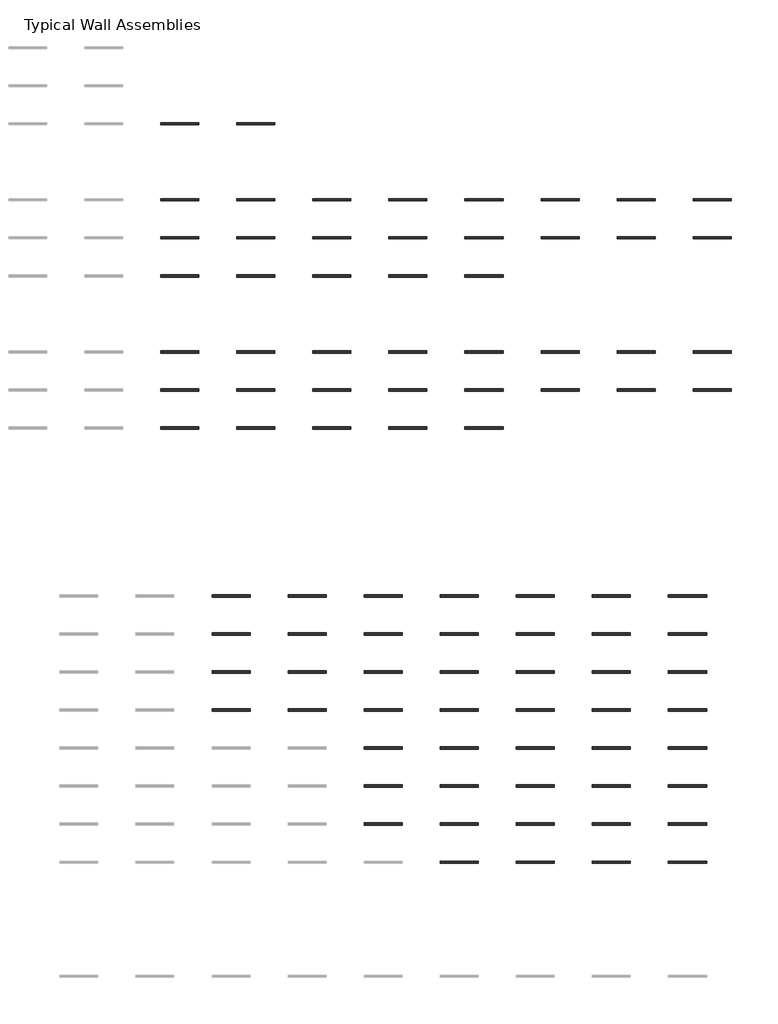
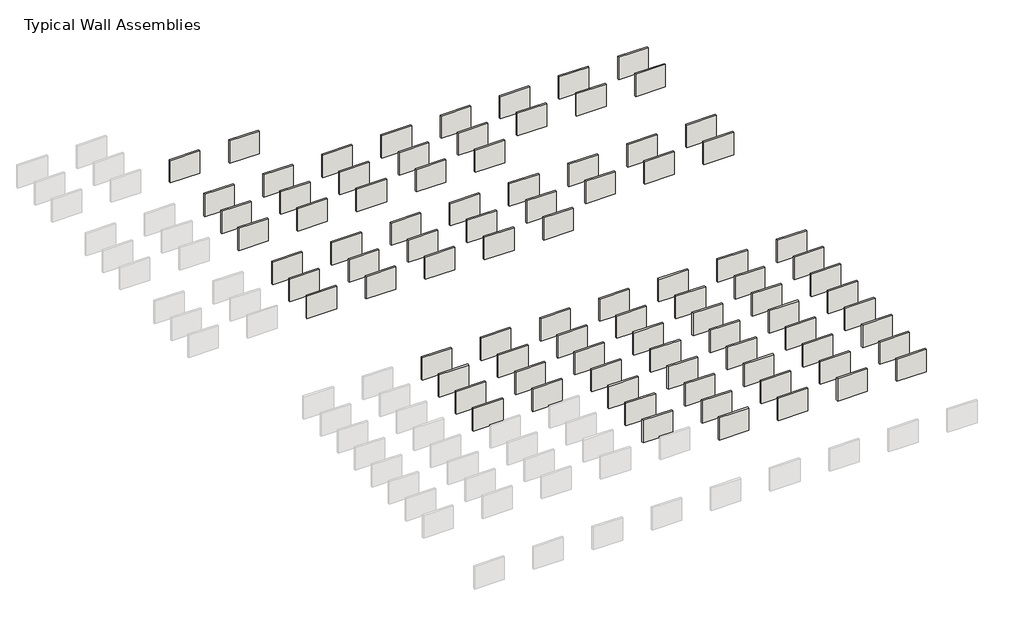
# One storey, part 4 of 8: 91 walls.
"""IFC4 building model written with IfcOpenShell, lengths in millimetres."""

from ifc_helpers import new_model, si_unit, frame, origin, place, context, project, spatial, polyline, outline, extrude, element, save

model = new_model("IFC4")

# Units and contexts
model_context = context("Model", 3, world=origin())
ifc_project = project(units=[si_unit("LENGTHUNIT", "METRE", prefix="MILLI")], contexts=[model_context])

# Site, building, storey
site = spatial("IfcSite", under=ifc_project)
building = spatial("IfcBuilding", under=site)
storey = spatial("IfcBuildingStorey", under=building, Name="Typical Wall Assemblies", Elevation=6096.0)

# Walls
placement = place(None, origin())
element("IfcWall", 1, at=placement, inside=storey, context=model_context, shape_type="SweptSolid", body=[
    extrude(outline(polyline([(3356.874931, -158375.2279032), (308.874931, -158375.2279032), (308.874931, -158197.4405991), (3356.874931, -158197.4405991), (3356.874931, -158375.2279032)])), frame((0.0, 0.0, 6096.0), z_axis=(0.0, 0.0, 1.0), x_axis=(1.0, 0.0, 0.0)), (0.0, 0.0, 1.0), 2438.4),
])
element("IfcWall", 2, at=placement, inside=storey, context=model_context, shape_type="SweptSolid", body=[
    extrude(outline(polyline([(9452.874931, -158375.2279032), (6404.874931, -158375.2279032), (6404.874931, -158197.4405991), (9452.874931, -158197.4405991), (9452.874931, -158375.2279032)])), frame((0.0, 0.0, 6096.0), z_axis=(0.0, 0.0, 1.0), x_axis=(1.0, 0.0, 0.0)), (0.0, 0.0, 1.0), 2438.4),
])
element("IfcWall", 3, at=placement, inside=storey, context=model_context, shape_type="SweptSolid", body=[
    extrude(outline(polyline([(3356.874931, -164471.2279032), (308.874931, -164471.2279032), (308.874931, -164293.4405991), (3356.874931, -164293.4405991), (3356.874931, -164471.2279032)])), frame((0.0, 0.0, 6096.0), z_axis=(0.0, 0.0, 1.0), x_axis=(1.0, 0.0, 0.0)), (0.0, 0.0, 1.0), 2438.4),
])
element("IfcWall", 4, at=placement, inside=storey, context=model_context, shape_type="SweptSolid", body=[
    extrude(outline(polyline([(9452.874931, -164471.2279032), (6404.874931, -164471.2279032), (6404.874931, -164293.4405991), (9452.874931, -164293.4405991), (9452.874931, -164471.2279032)])), frame((0.0, 0.0, 6096.0), z_axis=(0.0, 0.0, 1.0), x_axis=(1.0, 0.0, 0.0)), (0.0, 0.0, 1.0), 2438.4),
])
element("IfcWall", 5, at=placement, inside=storey, context=model_context, shape_type="SweptSolid", body=[
    extrude(outline(polyline([(15548.874931, -164471.2279032), (12500.874931, -164471.2279032), (12500.874931, -164293.4405991), (15548.874931, -164293.4405991), (15548.874931, -164471.2279032)])), frame((0.0, 0.0, 6096.0), z_axis=(0.0, 0.0, 1.0), x_axis=(1.0, 0.0, 0.0)), (0.0, 0.0, 1.0), 2438.4),
])
element("IfcWall", 6, at=placement, inside=storey, context=model_context, shape_type="SweptSolid", body=[
    extrude(outline(polyline([(21644.874931, -164471.2279032), (18596.874931, -164471.2279032), (18596.874931, -164293.4405991), (21644.874931, -164293.4405991), (21644.874931, -164471.2279032)])), frame((0.0, 0.0, 6096.0), z_axis=(0.0, 0.0, 1.0), x_axis=(1.0, 0.0, 0.0)), (0.0, 0.0, 1.0), 2438.4),
])
element("IfcWall", 7, at=placement, inside=storey, context=model_context, shape_type="SweptSolid", body=[
    extrude(outline(polyline([(27740.874931, -164471.2279032), (24692.874931, -164471.2279032), (24692.874931, -164293.4405991), (27740.874931, -164293.4405991), (27740.874931, -164471.2279032)])), frame((0.0, 0.0, 6096.0), z_axis=(0.0, 0.0, 1.0), x_axis=(1.0, 0.0, 0.0)), (0.0, 0.0, 1.0), 2438.4),
])
element("IfcWall", 8, at=placement, inside=storey, context=model_context, shape_type="SweptSolid", body=[
    extrude(outline(polyline([(33836.874931, -164471.2279032), (30788.874931, -164471.2279032), (30788.874931, -164293.4405991), (33836.874931, -164293.4405991), (33836.874931, -164471.2279032)])), frame((0.0, 0.0, 6096.0), z_axis=(0.0, 0.0, 1.0), x_axis=(1.0, 0.0, 0.0)), (0.0, 0.0, 1.0), 2438.4),
])
element("IfcWall", 9, at=placement, inside=storey, context=model_context, shape_type="SweptSolid", body=[
    extrude(outline(polyline([(39932.874931, -164471.2279032), (36884.874931, -164471.2279032), (36884.874931, -164293.4405991), (39932.874931, -164293.4405991), (39932.874931, -164471.2279032)])), frame((0.0, 0.0, 6096.0), z_axis=(0.0, 0.0, 1.0), x_axis=(1.0, 0.0, 0.0)), (0.0, 0.0, 1.0), 2438.4),
])
element("IfcWall", 10, at=placement, inside=storey, context=model_context, shape_type="SweptSolid", body=[
    extrude(outline(polyline([(46028.874931, -164471.2279032), (42980.874931, -164471.2279032), (42980.874931, -164293.4405991), (46028.874931, -164293.4405991), (46028.874931, -164471.2279032)])), frame((0.0, 0.0, 6096.0), z_axis=(0.0, 0.0, 1.0), x_axis=(1.0, 0.0, 0.0)), (0.0, 0.0, 1.0), 2438.4),
])
element("IfcWall", 11, at=placement, inside=storey, context=model_context, shape_type="SweptSolid", body=[
    extrude(outline(polyline([(3356.874931, -167519.2279032), (308.874931, -167519.2279032), (308.874931, -167341.4405991), (3356.874931, -167341.4405991), (3356.874931, -167519.2279032)])), frame((0.0, 0.0, 6096.0), z_axis=(0.0, 0.0, 1.0), x_axis=(1.0, 0.0, 0.0)), (0.0, 0.0, 1.0), 2438.4),
])
element("IfcWall", 12, at=placement, inside=storey, context=model_context, shape_type="SweptSolid", body=[
    extrude(outline(polyline([(9452.874931, -167519.2279032), (6404.874931, -167519.2279032), (6404.874931, -167341.4405991), (9452.874931, -167341.4405991), (9452.874931, -167519.2279032)])), frame((0.0, 0.0, 6096.0), z_axis=(0.0, 0.0, 1.0), x_axis=(1.0, 0.0, 0.0)), (0.0, 0.0, 1.0), 2438.4),
])
element("IfcWall", 13, at=placement, inside=storey, context=model_context, shape_type="SweptSolid", body=[
    extrude(outline(polyline([(15548.874931, -167519.2279032), (12500.874931, -167519.2279032), (12500.874931, -167341.4405991), (15548.874931, -167341.4405991), (15548.874931, -167519.2279032)])), frame((0.0, 0.0, 6096.0), z_axis=(0.0, 0.0, 1.0), x_axis=(1.0, 0.0, 0.0)), (0.0, 0.0, 1.0), 2438.4),
])
element("IfcWall", 14, at=placement, inside=storey, context=model_context, shape_type="SweptSolid", body=[
    extrude(outline(polyline([(21644.874931, -167519.2279032), (18596.874931, -167519.2279032), (18596.874931, -167341.4405991), (21644.874931, -167341.4405991), (21644.874931, -167519.2279032)])), frame((0.0, 0.0, 6096.0), z_axis=(0.0, 0.0, 1.0), x_axis=(1.0, 0.0, 0.0)), (0.0, 0.0, 1.0), 2438.4),
])
element("IfcWall", 15, at=placement, inside=storey, context=model_context, shape_type="SweptSolid", body=[
    extrude(outline(polyline([(27740.874931, -167519.2279032), (24692.874931, -167519.2279032), (24692.874931, -167341.4405991), (27740.874931, -167341.4405991), (27740.874931, -167519.2279032)])), frame((0.0, 0.0, 6096.0), z_axis=(0.0, 0.0, 1.0), x_axis=(1.0, 0.0, 0.0)), (0.0, 0.0, 1.0), 2438.4),
])
element("IfcWall", 16, at=placement, inside=storey, context=model_context, shape_type="SweptSolid", body=[
    extrude(outline(polyline([(33836.874931, -167519.2279032), (30788.874931, -167519.2279032), (30788.874931, -167341.4405991), (33836.874931, -167341.4405991), (33836.874931, -167519.2279032)])), frame((0.0, 0.0, 6096.0), z_axis=(0.0, 0.0, 1.0), x_axis=(1.0, 0.0, 0.0)), (0.0, 0.0, 1.0), 2438.4),
])
element("IfcWall", 17, at=placement, inside=storey, context=model_context, shape_type="SweptSolid", body=[
    extrude(outline(polyline([(39932.874931, -167519.2279032), (36884.874931, -167519.2279032), (36884.874931, -167341.4405991), (39932.874931, -167341.4405991), (39932.874931, -167519.2279032)])), frame((0.0, 0.0, 6096.0), z_axis=(0.0, 0.0, 1.0), x_axis=(1.0, 0.0, 0.0)), (0.0, 0.0, 1.0), 2438.4),
])
element("IfcWall", 18, at=placement, inside=storey, context=model_context, shape_type="SweptSolid", body=[
    extrude(outline(polyline([(46028.874931, -167519.2279032), (42980.874931, -167519.2279032), (42980.874931, -167341.4405991), (46028.874931, -167341.4405991), (46028.874931, -167519.2279032)])), frame((0.0, 0.0, 6096.0), z_axis=(0.0, 0.0, 1.0), x_axis=(1.0, 0.0, 0.0)), (0.0, 0.0, 1.0), 2438.4),
])
element("IfcWall", 19, at=placement, inside=storey, context=model_context, shape_type="SweptSolid", body=[
    extrude(outline(polyline([(3356.874931, -170567.2279032), (308.874931, -170567.2279032), (308.874931, -170389.4405991), (3356.874931, -170389.4405991), (3356.874931, -170567.2279032)])), frame((0.0, 0.0, 6096.0), z_axis=(0.0, 0.0, 1.0), x_axis=(1.0, 0.0, 0.0)), (0.0, 0.0, 1.0), 2438.4),
])
element("IfcWall", 20, at=placement, inside=storey, context=model_context, shape_type="SweptSolid", body=[
    extrude(outline(polyline([(9452.874931, -170567.2279032), (6404.874931, -170567.2279032), (6404.874931, -170389.4405991), (9452.874931, -170389.4405991), (9452.874931, -170567.2279032)])), frame((0.0, 0.0, 6096.0), z_axis=(0.0, 0.0, 1.0), x_axis=(1.0, 0.0, 0.0)), (0.0, 0.0, 1.0), 2438.4),
])
element("IfcWall", 21, at=placement, inside=storey, context=model_context, shape_type="SweptSolid", body=[
    extrude(outline(polyline([(15548.874931, -170567.2279032), (12500.874931, -170567.2279032), (12500.874931, -170389.4405991), (15548.874931, -170389.4405991), (15548.874931, -170567.2279032)])), frame((0.0, 0.0, 6096.0), z_axis=(0.0, 0.0, 1.0), x_axis=(1.0, 0.0, 0.0)), (0.0, 0.0, 1.0), 2438.4),
])
element("IfcWall", 22, at=placement, inside=storey, context=model_context, shape_type="SweptSolid", body=[
    extrude(outline(polyline([(21644.874931, -170567.2279032), (18596.874931, -170567.2279032), (18596.874931, -170389.4405991), (21644.874931, -170389.4405991), (21644.874931, -170567.2279032)])), frame((0.0, 0.0, 6096.0), z_axis=(0.0, 0.0, 1.0), x_axis=(1.0, 0.0, 0.0)), (0.0, 0.0, 1.0), 2438.4),
])
element("IfcWall", 23, at=placement, inside=storey, context=model_context, shape_type="SweptSolid", body=[
    extrude(outline(polyline([(27740.874931, -170567.2279032), (24692.874931, -170567.2279032), (24692.874931, -170389.4405991), (27740.874931, -170389.4405991), (27740.874931, -170567.2279032)])), frame((0.0, 0.0, 6096.0), z_axis=(0.0, 0.0, 1.0), x_axis=(1.0, 0.0, 0.0)), (0.0, 0.0, 1.0), 2438.4),
])
element("IfcWall", 24, at=placement, inside=storey, context=model_context, shape_type="SweptSolid", body=[
    extrude(outline(polyline([(3356.874931, -176663.2279032), (308.874931, -176663.2279032), (308.874931, -176485.4405991), (3356.874931, -176485.4405991), (3356.874931, -176663.2279032)])), frame((0.0, 0.0, 6096.0), z_axis=(0.0, 0.0, 1.0), x_axis=(1.0, 0.0, 0.0)), (0.0, 0.0, 1.0), 2438.4),
])
element("IfcWall", 25, at=placement, inside=storey, context=model_context, shape_type="SweptSolid", body=[
    extrude(outline(polyline([(9452.874931, -176663.2279032), (6404.874931, -176663.2279032), (6404.874931, -176485.4405991), (9452.874931, -176485.4405991), (9452.874931, -176663.2279032)])), frame((0.0, 0.0, 6096.0), z_axis=(0.0, 0.0, 1.0), x_axis=(1.0, 0.0, 0.0)), (0.0, 0.0, 1.0), 2438.4),
])
element("IfcWall", 26, at=placement, inside=storey, context=model_context, shape_type="SweptSolid", body=[
    extrude(outline(polyline([(15548.874931, -176663.2279032), (12500.874931, -176663.2279032), (12500.874931, -176485.4405991), (15548.874931, -176485.4405991), (15548.874931, -176663.2279032)])), frame((0.0, 0.0, 6096.0), z_axis=(0.0, 0.0, 1.0), x_axis=(1.0, 0.0, 0.0)), (0.0, 0.0, 1.0), 2438.4),
])
element("IfcWall", 27, at=placement, inside=storey, context=model_context, shape_type="SweptSolid", body=[
    extrude(outline(polyline([(21644.874931, -176663.2279032), (18596.874931, -176663.2279032), (18596.874931, -176485.4405991), (21644.874931, -176485.4405991), (21644.874931, -176663.2279032)])), frame((0.0, 0.0, 6096.0), z_axis=(0.0, 0.0, 1.0), x_axis=(1.0, 0.0, 0.0)), (0.0, 0.0, 1.0), 2438.4),
])
element("IfcWall", 28, at=placement, inside=storey, context=model_context, shape_type="SweptSolid", body=[
    extrude(outline(polyline([(27740.874931, -176663.2279032), (24692.874931, -176663.2279032), (24692.874931, -176485.4405991), (27740.874931, -176485.4405991), (27740.874931, -176663.2279032)])), frame((0.0, 0.0, 6096.0), z_axis=(0.0, 0.0, 1.0), x_axis=(1.0, 0.0, 0.0)), (0.0, 0.0, 1.0), 2438.4),
])
element("IfcWall", 29, at=placement, inside=storey, context=model_context, shape_type="SweptSolid", body=[
    extrude(outline(polyline([(33836.874931, -176663.2279032), (30788.874931, -176663.2279032), (30788.874931, -176485.4405991), (33836.874931, -176485.4405991), (33836.874931, -176663.2279032)])), frame((0.0, 0.0, 6096.0), z_axis=(0.0, 0.0, 1.0), x_axis=(1.0, 0.0, 0.0)), (0.0, 0.0, 1.0), 2438.4),
])
element("IfcWall", 30, at=placement, inside=storey, context=model_context, shape_type="SweptSolid", body=[
    extrude(outline(polyline([(39932.874931, -176663.2279032), (36884.874931, -176663.2279032), (36884.874931, -176485.4405991), (39932.874931, -176485.4405991), (39932.874931, -176663.2279032)])), frame((0.0, 0.0, 6096.0), z_axis=(0.0, 0.0, 1.0), x_axis=(1.0, 0.0, 0.0)), (0.0, 0.0, 1.0), 2438.4),
])
element("IfcWall", 31, at=placement, inside=storey, context=model_context, shape_type="SweptSolid", body=[
    extrude(outline(polyline([(46028.874931, -176663.2279032), (42980.874931, -176663.2279032), (42980.874931, -176485.4405991), (46028.874931, -176485.4405991), (46028.874931, -176663.2279032)])), frame((0.0, 0.0, 6096.0), z_axis=(0.0, 0.0, 1.0), x_axis=(1.0, 0.0, 0.0)), (0.0, 0.0, 1.0), 2438.4),
])
element("IfcWall", 32, at=placement, inside=storey, context=model_context, shape_type="SweptSolid", body=[
    extrude(outline(polyline([(3356.874931, -179711.2279032), (308.874931, -179711.2279032), (308.874931, -179533.4405991), (3356.874931, -179533.4405991), (3356.874931, -179711.2279032)])), frame((0.0, 0.0, 6096.0), z_axis=(0.0, 0.0, 1.0), x_axis=(1.0, 0.0, 0.0)), (0.0, 0.0, 1.0), 2438.4),
])
element("IfcWall", 33, at=placement, inside=storey, context=model_context, shape_type="SweptSolid", body=[
    extrude(outline(polyline([(9452.874931, -179711.2279032), (6404.874931, -179711.2279032), (6404.874931, -179533.4405991), (9452.874931, -179533.4405991), (9452.874931, -179711.2279032)])), frame((0.0, 0.0, 6096.0), z_axis=(0.0, 0.0, 1.0), x_axis=(1.0, 0.0, 0.0)), (0.0, 0.0, 1.0), 2438.4),
])
element("IfcWall", 34, at=placement, inside=storey, context=model_context, shape_type="SweptSolid", body=[
    extrude(outline(polyline([(15548.874931, -179711.2279032), (12500.874931, -179711.2279032), (12500.874931, -179533.4405991), (15548.874931, -179533.4405991), (15548.874931, -179711.2279032)])), frame((0.0, 0.0, 6096.0), z_axis=(0.0, 0.0, 1.0), x_axis=(1.0, 0.0, 0.0)), (0.0, 0.0, 1.0), 2438.4),
])
element("IfcWall", 35, at=placement, inside=storey, context=model_context, shape_type="SweptSolid", body=[
    extrude(outline(polyline([(21644.874931, -179711.2279032), (18596.874931, -179711.2279032), (18596.874931, -179533.4405991), (21644.874931, -179533.4405991), (21644.874931, -179711.2279032)])), frame((0.0, 0.0, 6096.0), z_axis=(0.0, 0.0, 1.0), x_axis=(1.0, 0.0, 0.0)), (0.0, 0.0, 1.0), 2438.4),
])
element("IfcWall", 36, at=placement, inside=storey, context=model_context, shape_type="SweptSolid", body=[
    extrude(outline(polyline([(27740.874931, -179711.2279032), (24692.874931, -179711.2279032), (24692.874931, -179533.4405991), (27740.874931, -179533.4405991), (27740.874931, -179711.2279032)])), frame((0.0, 0.0, 6096.0), z_axis=(0.0, 0.0, 1.0), x_axis=(1.0, 0.0, 0.0)), (0.0, 0.0, 1.0), 2438.4),
])
element("IfcWall", 37, at=placement, inside=storey, context=model_context, shape_type="SweptSolid", body=[
    extrude(outline(polyline([(33836.874931, -179711.2279032), (30788.874931, -179711.2279032), (30788.874931, -179533.4405991), (33836.874931, -179533.4405991), (33836.874931, -179711.2279032)])), frame((0.0, 0.0, 6096.0), z_axis=(0.0, 0.0, 1.0), x_axis=(1.0, 0.0, 0.0)), (0.0, 0.0, 1.0), 2438.4),
])
element("IfcWall", 38, at=placement, inside=storey, context=model_context, shape_type="SweptSolid", body=[
    extrude(outline(polyline([(39932.874931, -179711.2279032), (36884.874931, -179711.2279032), (36884.874931, -179533.4405991), (39932.874931, -179533.4405991), (39932.874931, -179711.2279032)])), frame((0.0, 0.0, 6096.0), z_axis=(0.0, 0.0, 1.0), x_axis=(1.0, 0.0, 0.0)), (0.0, 0.0, 1.0), 2438.4),
])
element("IfcWall", 39, at=placement, inside=storey, context=model_context, shape_type="SweptSolid", body=[
    extrude(outline(polyline([(46028.874931, -179711.2279032), (42980.874931, -179711.2279032), (42980.874931, -179533.4405991), (46028.874931, -179533.4405991), (46028.874931, -179711.2279032)])), frame((0.0, 0.0, 6096.0), z_axis=(0.0, 0.0, 1.0), x_axis=(1.0, 0.0, 0.0)), (0.0, 0.0, 1.0), 2438.4),
])
element("IfcWall", 40, at=placement, inside=storey, context=model_context, shape_type="SweptSolid", body=[
    extrude(outline(polyline([(3356.874931, -182759.2279032), (308.874931, -182759.2279032), (308.874931, -182581.4405991), (3356.874931, -182581.4405991), (3356.874931, -182759.2279032)])), frame((0.0, 0.0, 6096.0), z_axis=(0.0, 0.0, 1.0), x_axis=(1.0, 0.0, 0.0)), (0.0, 0.0, 1.0), 2438.4),
])
element("IfcWall", 41, at=placement, inside=storey, context=model_context, shape_type="SweptSolid", body=[
    extrude(outline(polyline([(9452.874931, -182759.2279032), (6404.874931, -182759.2279032), (6404.874931, -182581.4405991), (9452.874931, -182581.4405991), (9452.874931, -182759.2279032)])), frame((0.0, 0.0, 6096.0), z_axis=(0.0, 0.0, 1.0), x_axis=(1.0, 0.0, 0.0)), (0.0, 0.0, 1.0), 2438.4),
])
element("IfcWall", 42, at=placement, inside=storey, context=model_context, shape_type="SweptSolid", body=[
    extrude(outline(polyline([(15548.874931, -182759.2279032), (12500.874931, -182759.2279032), (12500.874931, -182581.4405991), (15548.874931, -182581.4405991), (15548.874931, -182759.2279032)])), frame((0.0, 0.0, 6096.0), z_axis=(0.0, 0.0, 1.0), x_axis=(1.0, 0.0, 0.0)), (0.0, 0.0, 1.0), 2438.4),
])
element("IfcWall", 43, at=placement, inside=storey, context=model_context, shape_type="SweptSolid", body=[
    extrude(outline(polyline([(21644.874931, -182759.2279032), (18596.874931, -182759.2279032), (18596.874931, -182581.4405991), (21644.874931, -182581.4405991), (21644.874931, -182759.2279032)])), frame((0.0, 0.0, 6096.0), z_axis=(0.0, 0.0, 1.0), x_axis=(1.0, 0.0, 0.0)), (0.0, 0.0, 1.0), 2438.4),
])
element("IfcWall", 44, at=placement, inside=storey, context=model_context, shape_type="SweptSolid", body=[
    extrude(outline(polyline([(27740.874931, -182759.2279032), (24692.874931, -182759.2279032), (24692.874931, -182581.4405991), (27740.874931, -182581.4405991), (27740.874931, -182759.2279032)])), frame((0.0, 0.0, 6096.0), z_axis=(0.0, 0.0, 1.0), x_axis=(1.0, 0.0, 0.0)), (0.0, 0.0, 1.0), 2438.4),
])
element("IfcWall", 45, at=placement, inside=storey, context=model_context, shape_type="SweptSolid", body=[
    extrude(outline(polyline([(7471.674931, -196211.6362056), (4423.674931, -196211.6362056), (4423.674931, -196025.8987021), (7471.674931, -196025.8987021), (7471.674931, -196211.6362056)])), frame((0.0, 0.0, 6096.0), z_axis=(0.0, 0.0, 1.0), x_axis=(1.0, 0.0, 0.0)), (0.0, 0.0, 1.0), 2438.4),
])
element("IfcWall", 46, at=placement, inside=storey, context=model_context, shape_type="SweptSolid", body=[
    extrude(outline(polyline([(13567.674931, -196211.6362056), (10519.674931, -196211.6362056), (10519.674931, -196025.8987021), (13567.674931, -196025.8987021), (13567.674931, -196211.6362056)])), frame((0.0, 0.0, 6096.0), z_axis=(0.0, 0.0, 1.0), x_axis=(1.0, 0.0, 0.0)), (0.0, 0.0, 1.0), 2438.4),
])
element("IfcWall", 47, at=placement, inside=storey, context=model_context, shape_type="SweptSolid", body=[
    extrude(outline(polyline([(19663.674931, -196211.6362056), (16615.674931, -196211.6362056), (16615.674931, -196025.8987021), (19663.674931, -196025.8987021), (19663.674931, -196211.6362056)])), frame((0.0, 0.0, 6096.0), z_axis=(0.0, 0.0, 1.0), x_axis=(1.0, 0.0, 0.0)), (0.0, 0.0, 1.0), 2438.4),
])
element("IfcWall", 48, at=placement, inside=storey, context=model_context, shape_type="SweptSolid", body=[
    extrude(outline(polyline([(25759.674931, -196211.6362056), (22711.674931, -196211.6362056), (22711.674931, -196025.8987021), (25759.674931, -196025.8987021), (25759.674931, -196211.6362056)])), frame((0.0, 0.0, 6096.0), z_axis=(0.0, 0.0, 1.0), x_axis=(1.0, 0.0, 0.0)), (0.0, 0.0, 1.0), 2438.4),
])
element("IfcWall", 49, at=placement, inside=storey, context=model_context, shape_type="SweptSolid", body=[
    extrude(outline(polyline([(31855.674931, -196211.6362056), (28807.674931, -196211.6362056), (28807.674931, -196025.8987021), (31855.674931, -196025.8987021), (31855.674931, -196211.6362056)])), frame((0.0, 0.0, 6096.0), z_axis=(0.0, 0.0, 1.0), x_axis=(1.0, 0.0, 0.0)), (0.0, 0.0, 1.0), 2438.4),
])
element("IfcWall", 50, at=placement, inside=storey, context=model_context, shape_type="SweptSolid", body=[
    extrude(outline(polyline([(37951.674931, -196211.6362056), (34903.674931, -196211.6362056), (34903.674931, -196025.8987021), (37951.674931, -196025.8987021), (37951.674931, -196211.6362056)])), frame((0.0, 0.0, 6096.0), z_axis=(0.0, 0.0, 1.0), x_axis=(1.0, 0.0, 0.0)), (0.0, 0.0, 1.0), 2438.4),
])
element("IfcWall", 51, at=placement, inside=storey, context=model_context, shape_type="SweptSolid", body=[
    extrude(outline(polyline([(44047.674931, -196211.6362056), (40999.674931, -196211.6362056), (40999.674931, -196025.8987021), (44047.674931, -196025.8987021), (44047.674931, -196211.6362056)])), frame((0.0, 0.0, 6096.0), z_axis=(0.0, 0.0, 1.0), x_axis=(1.0, 0.0, 0.0)), (0.0, 0.0, 1.0), 2438.4),
])
element("IfcWall", 52, at=placement, inside=storey, context=model_context, shape_type="SweptSolid", body=[
    extrude(outline(polyline([(7471.674931, -199259.6362056), (4423.674931, -199259.6362056), (4423.674931, -199073.8987021), (7471.674931, -199073.8987021), (7471.674931, -199259.6362056)])), frame((0.0, 0.0, 6096.0), z_axis=(0.0, 0.0, 1.0), x_axis=(1.0, 0.0, 0.0)), (0.0, 0.0, 1.0), 2438.4),
])
element("IfcWall", 53, at=placement, inside=storey, context=model_context, shape_type="SweptSolid", body=[
    extrude(outline(polyline([(13567.674931, -199259.6362056), (10519.674931, -199259.6362056), (10519.674931, -199073.8987021), (13567.674931, -199073.8987021), (13567.674931, -199259.6362056)])), frame((0.0, 0.0, 6096.0), z_axis=(0.0, 0.0, 1.0), x_axis=(1.0, 0.0, 0.0)), (0.0, 0.0, 1.0), 2438.4),
])
element("IfcWall", 54, at=placement, inside=storey, context=model_context, shape_type="SweptSolid", body=[
    extrude(outline(polyline([(19663.674931, -199259.6362056), (16615.674931, -199259.6362056), (16615.674931, -199073.8987021), (19663.674931, -199073.8987021), (19663.674931, -199259.6362056)])), frame((0.0, 0.0, 6096.0), z_axis=(0.0, 0.0, 1.0), x_axis=(1.0, 0.0, 0.0)), (0.0, 0.0, 1.0), 2438.4),
])
element("IfcWall", 55, at=placement, inside=storey, context=model_context, shape_type="SweptSolid", body=[
    extrude(outline(polyline([(25759.674931, -199259.6362056), (22711.674931, -199259.6362056), (22711.674931, -199073.8987021), (25759.674931, -199073.8987021), (25759.674931, -199259.6362056)])), frame((0.0, 0.0, 6096.0), z_axis=(0.0, 0.0, 1.0), x_axis=(1.0, 0.0, 0.0)), (0.0, 0.0, 1.0), 2438.4),
])
element("IfcWall", 56, at=placement, inside=storey, context=model_context, shape_type="SweptSolid", body=[
    extrude(outline(polyline([(31855.674931, -199259.6362056), (28807.674931, -199259.6362056), (28807.674931, -199073.8987021), (31855.674931, -199073.8987021), (31855.674931, -199259.6362056)])), frame((0.0, 0.0, 6096.0), z_axis=(0.0, 0.0, 1.0), x_axis=(1.0, 0.0, 0.0)), (0.0, 0.0, 1.0), 2438.4),
])
element("IfcWall", 57, at=placement, inside=storey, context=model_context, shape_type="SweptSolid", body=[
    extrude(outline(polyline([(37951.674931, -199259.6362056), (34903.674931, -199259.6362056), (34903.674931, -199073.8987021), (37951.674931, -199073.8987021), (37951.674931, -199259.6362056)])), frame((0.0, 0.0, 6096.0), z_axis=(0.0, 0.0, 1.0), x_axis=(1.0, 0.0, 0.0)), (0.0, 0.0, 1.0), 2438.4),
])
element("IfcWall", 58, at=placement, inside=storey, context=model_context, shape_type="SweptSolid", body=[
    extrude(outline(polyline([(44047.674931, -199259.6362056), (40999.674931, -199259.6362056), (40999.674931, -199073.8987021), (44047.674931, -199073.8987021), (44047.674931, -199259.6362056)])), frame((0.0, 0.0, 6096.0), z_axis=(0.0, 0.0, 1.0), x_axis=(1.0, 0.0, 0.0)), (0.0, 0.0, 1.0), 2438.4),
])
element("IfcWall", 59, at=placement, inside=storey, context=model_context, shape_type="SweptSolid", body=[
    extrude(outline(polyline([(7471.674931, -202307.6362056), (4423.674931, -202307.6362056), (4423.674931, -202121.8987021), (7471.674931, -202121.8987021), (7471.674931, -202307.6362056)])), frame((0.0, 0.0, 6096.0), z_axis=(0.0, 0.0, 1.0), x_axis=(1.0, 0.0, 0.0)), (0.0, 0.0, 1.0), 2438.4),
])
element("IfcWall", 60, at=placement, inside=storey, context=model_context, shape_type="SweptSolid", body=[
    extrude(outline(polyline([(13567.674931, -202307.6362056), (10519.674931, -202307.6362056), (10519.674931, -202121.8987021), (13567.674931, -202121.8987021), (13567.674931, -202307.6362056)])), frame((0.0, 0.0, 6096.0), z_axis=(0.0, 0.0, 1.0), x_axis=(1.0, 0.0, 0.0)), (0.0, 0.0, 1.0), 2438.4),
])
element("IfcWall", 61, at=placement, inside=storey, context=model_context, shape_type="SweptSolid", body=[
    extrude(outline(polyline([(19663.674931, -202307.6362056), (16615.674931, -202307.6362056), (16615.674931, -202121.8987021), (19663.674931, -202121.8987021), (19663.674931, -202307.6362056)])), frame((0.0, 0.0, 6096.0), z_axis=(0.0, 0.0, 1.0), x_axis=(1.0, 0.0, 0.0)), (0.0, 0.0, 1.0), 2438.4),
])
element("IfcWall", 62, at=placement, inside=storey, context=model_context, shape_type="SweptSolid", body=[
    extrude(outline(polyline([(25759.674931, -202307.6362056), (22711.674931, -202307.6362056), (22711.674931, -202121.8987021), (25759.674931, -202121.8987021), (25759.674931, -202307.6362056)])), frame((0.0, 0.0, 6096.0), z_axis=(0.0, 0.0, 1.0), x_axis=(1.0, 0.0, 0.0)), (0.0, 0.0, 1.0), 2438.4),
])
element("IfcWall", 63, at=placement, inside=storey, context=model_context, shape_type="SweptSolid", body=[
    extrude(outline(polyline([(31855.674931, -202307.6362056), (28807.674931, -202307.6362056), (28807.674931, -202121.8987021), (31855.674931, -202121.8987021), (31855.674931, -202307.6362056)])), frame((0.0, 0.0, 6096.0), z_axis=(0.0, 0.0, 1.0), x_axis=(1.0, 0.0, 0.0)), (0.0, 0.0, 1.0), 2438.4),
])
element("IfcWall", 64, at=placement, inside=storey, context=model_context, shape_type="SweptSolid", body=[
    extrude(outline(polyline([(37951.674931, -202307.6362056), (34903.674931, -202307.6362056), (34903.674931, -202121.8987021), (37951.674931, -202121.8987021), (37951.674931, -202307.6362056)])), frame((0.0, 0.0, 6096.0), z_axis=(0.0, 0.0, 1.0), x_axis=(1.0, 0.0, 0.0)), (0.0, 0.0, 1.0), 2438.4),
])
element("IfcWall", 65, at=placement, inside=storey, context=model_context, shape_type="SweptSolid", body=[
    extrude(outline(polyline([(44047.674931, -202307.6362056), (40999.674931, -202307.6362056), (40999.674931, -202121.8987021), (44047.674931, -202121.8987021), (44047.674931, -202307.6362056)])), frame((0.0, 0.0, 6096.0), z_axis=(0.0, 0.0, 1.0), x_axis=(1.0, 0.0, 0.0)), (0.0, 0.0, 1.0), 2438.4),
])
element("IfcWall", 66, at=placement, inside=storey, context=model_context, shape_type="SweptSolid", body=[
    extrude(outline(polyline([(7471.674931, -205355.6362056), (4423.674931, -205355.6362056), (4423.674931, -205169.8987021), (7471.674931, -205169.8987021), (7471.674931, -205355.6362056)])), frame((0.0, 0.0, 6096.0), z_axis=(0.0, 0.0, 1.0), x_axis=(1.0, 0.0, 0.0)), (0.0, 0.0, 1.0), 2438.4),
])
element("IfcWall", 67, at=placement, inside=storey, context=model_context, shape_type="SweptSolid", body=[
    extrude(outline(polyline([(13567.674931, -205355.6362056), (10519.674931, -205355.6362056), (10519.674931, -205169.8987021), (13567.674931, -205169.8987021), (13567.674931, -205355.6362056)])), frame((0.0, 0.0, 6096.0), z_axis=(0.0, 0.0, 1.0), x_axis=(1.0, 0.0, 0.0)), (0.0, 0.0, 1.0), 2438.4),
])
element("IfcWall", 68, at=placement, inside=storey, context=model_context, shape_type="SweptSolid", body=[
    extrude(outline(polyline([(19663.674931, -205355.6362056), (16615.674931, -205355.6362056), (16615.674931, -205169.8987021), (19663.674931, -205169.8987021), (19663.674931, -205355.6362056)])), frame((0.0, 0.0, 6096.0), z_axis=(0.0, 0.0, 1.0), x_axis=(1.0, 0.0, 0.0)), (0.0, 0.0, 1.0), 2438.4),
])
element("IfcWall", 69, at=placement, inside=storey, context=model_context, shape_type="SweptSolid", body=[
    extrude(outline(polyline([(25759.674931, -205355.6362056), (22711.674931, -205355.6362056), (22711.674931, -205169.8987021), (25759.674931, -205169.8987021), (25759.674931, -205355.6362056)])), frame((0.0, 0.0, 6096.0), z_axis=(0.0, 0.0, 1.0), x_axis=(1.0, 0.0, 0.0)), (0.0, 0.0, 1.0), 2438.4),
])
element("IfcWall", 70, at=placement, inside=storey, context=model_context, shape_type="SweptSolid", body=[
    extrude(outline(polyline([(31855.674931, -205355.6362056), (28807.674931, -205355.6362056), (28807.674931, -205169.8987021), (31855.674931, -205169.8987021), (31855.674931, -205355.6362056)])), frame((0.0, 0.0, 6096.0), z_axis=(0.0, 0.0, 1.0), x_axis=(1.0, 0.0, 0.0)), (0.0, 0.0, 1.0), 2438.4),
])
element("IfcWall", 71, at=placement, inside=storey, context=model_context, shape_type="SweptSolid", body=[
    extrude(outline(polyline([(37951.674931, -205355.6362056), (34903.674931, -205355.6362056), (34903.674931, -205169.8987021), (37951.674931, -205169.8987021), (37951.674931, -205355.6362056)])), frame((0.0, 0.0, 6096.0), z_axis=(0.0, 0.0, 1.0), x_axis=(1.0, 0.0, 0.0)), (0.0, 0.0, 1.0), 2438.4),
])
element("IfcWall", 72, at=placement, inside=storey, context=model_context, shape_type="SweptSolid", body=[
    extrude(outline(polyline([(44047.674931, -205355.6362056), (40999.674931, -205355.6362056), (40999.674931, -205169.8987021), (44047.674931, -205169.8987021), (44047.674931, -205355.6362056)])), frame((0.0, 0.0, 6096.0), z_axis=(0.0, 0.0, 1.0), x_axis=(1.0, 0.0, 0.0)), (0.0, 0.0, 1.0), 2438.4),
])
element("IfcWall", 73, at=placement, inside=storey, context=model_context, shape_type="SweptSolid", body=[
    extrude(outline(polyline([(19663.674931, -208403.6362056), (16615.674931, -208403.6362056), (16615.674931, -208217.8987021), (19663.674931, -208217.8987021), (19663.674931, -208403.6362056)])), frame((0.0, 0.0, 6096.0), z_axis=(0.0, 0.0, 1.0), x_axis=(1.0, 0.0, 0.0)), (0.0, 0.0, 1.0), 2438.4),
])
element("IfcWall", 74, at=placement, inside=storey, context=model_context, shape_type="SweptSolid", body=[
    extrude(outline(polyline([(25759.674931, -208403.6362056), (22711.674931, -208403.6362056), (22711.674931, -208217.8987021), (25759.674931, -208217.8987021), (25759.674931, -208403.6362056)])), frame((0.0, 0.0, 6096.0), z_axis=(0.0, 0.0, 1.0), x_axis=(1.0, 0.0, 0.0)), (0.0, 0.0, 1.0), 2438.4),
])
element("IfcWall", 75, at=placement, inside=storey, context=model_context, shape_type="SweptSolid", body=[
    extrude(outline(polyline([(31855.674931, -208403.6362056), (28807.674931, -208403.6362056), (28807.674931, -208217.8987021), (31855.674931, -208217.8987021), (31855.674931, -208403.6362056)])), frame((0.0, 0.0, 6096.0), z_axis=(0.0, 0.0, 1.0), x_axis=(1.0, 0.0, 0.0)), (0.0, 0.0, 1.0), 2438.4),
])
element("IfcWall", 76, at=placement, inside=storey, context=model_context, shape_type="SweptSolid", body=[
    extrude(outline(polyline([(37951.674931, -208403.6362056), (34903.674931, -208403.6362056), (34903.674931, -208217.8987021), (37951.674931, -208217.8987021), (37951.674931, -208403.6362056)])), frame((0.0, 0.0, 6096.0), z_axis=(0.0, 0.0, 1.0), x_axis=(1.0, 0.0, 0.0)), (0.0, 0.0, 1.0), 2438.4),
])
element("IfcWall", 77, at=placement, inside=storey, context=model_context, shape_type="SweptSolid", body=[
    extrude(outline(polyline([(44047.674931, -208403.6362056), (40999.674931, -208403.6362056), (40999.674931, -208217.8987021), (44047.674931, -208217.8987021), (44047.674931, -208403.6362056)])), frame((0.0, 0.0, 6096.0), z_axis=(0.0, 0.0, 1.0), x_axis=(1.0, 0.0, 0.0)), (0.0, 0.0, 1.0), 2438.4),
])
element("IfcWall", 78, at=placement, inside=storey, context=model_context, shape_type="SweptSolid", body=[
    extrude(outline(polyline([(19663.674931, -211451.6362056), (16615.674931, -211451.6362056), (16615.674931, -211265.8987021), (19663.674931, -211265.8987021), (19663.674931, -211451.6362056)])), frame((0.0, 0.0, 6096.0), z_axis=(0.0, 0.0, 1.0), x_axis=(1.0, 0.0, 0.0)), (0.0, 0.0, 1.0), 2438.4),
])
element("IfcWall", 79, at=placement, inside=storey, context=model_context, shape_type="SweptSolid", body=[
    extrude(outline(polyline([(25759.674931, -211451.6362056), (22711.674931, -211451.6362056), (22711.674931, -211265.8987021), (25759.674931, -211265.8987021), (25759.674931, -211451.6362056)])), frame((0.0, 0.0, 6096.0), z_axis=(0.0, 0.0, 1.0), x_axis=(1.0, 0.0, 0.0)), (0.0, 0.0, 1.0), 2438.4),
])
element("IfcWall", 80, at=placement, inside=storey, context=model_context, shape_type="SweptSolid", body=[
    extrude(outline(polyline([(31855.674931, -211451.6362056), (28807.674931, -211451.6362056), (28807.674931, -211265.8987021), (31855.674931, -211265.8987021), (31855.674931, -211451.6362056)])), frame((0.0, 0.0, 6096.0), z_axis=(0.0, 0.0, 1.0), x_axis=(1.0, 0.0, 0.0)), (0.0, 0.0, 1.0), 2438.4),
])
element("IfcWall", 81, at=placement, inside=storey, context=model_context, shape_type="SweptSolid", body=[
    extrude(outline(polyline([(37951.674931, -211451.6362056), (34903.674931, -211451.6362056), (34903.674931, -211265.8987021), (37951.674931, -211265.8987021), (37951.674931, -211451.6362056)])), frame((0.0, 0.0, 6096.0), z_axis=(0.0, 0.0, 1.0), x_axis=(1.0, 0.0, 0.0)), (0.0, 0.0, 1.0), 2438.4),
])
element("IfcWall", 82, at=placement, inside=storey, context=model_context, shape_type="SweptSolid", body=[
    extrude(outline(polyline([(44047.674931, -211451.6362056), (40999.674931, -211451.6362056), (40999.674931, -211265.8987021), (44047.674931, -211265.8987021), (44047.674931, -211451.6362056)])), frame((0.0, 0.0, 6096.0), z_axis=(0.0, 0.0, 1.0), x_axis=(1.0, 0.0, 0.0)), (0.0, 0.0, 1.0), 2438.4),
])
element("IfcWall", 83, at=placement, inside=storey, context=model_context, shape_type="SweptSolid", body=[
    extrude(outline(polyline([(19663.674931, -214499.6362056), (16615.674931, -214499.6362056), (16615.674931, -214313.8987021), (19663.674931, -214313.8987021), (19663.674931, -214499.6362056)])), frame((0.0, 0.0, 6096.0), z_axis=(0.0, 0.0, 1.0), x_axis=(1.0, 0.0, 0.0)), (0.0, 0.0, 1.0), 2438.4),
])
element("IfcWall", 84, at=placement, inside=storey, context=model_context, shape_type="SweptSolid", body=[
    extrude(outline(polyline([(25759.674931, -214499.6362056), (22711.674931, -214499.6362056), (22711.674931, -214313.8987021), (25759.674931, -214313.8987021), (25759.674931, -214499.6362056)])), frame((0.0, 0.0, 6096.0), z_axis=(0.0, 0.0, 1.0), x_axis=(1.0, 0.0, 0.0)), (0.0, 0.0, 1.0), 2438.4),
])
element("IfcWall", 85, at=placement, inside=storey, context=model_context, shape_type="SweptSolid", body=[
    extrude(outline(polyline([(31855.674931, -214499.6362056), (28807.674931, -214499.6362056), (28807.674931, -214313.8987021), (31855.674931, -214313.8987021), (31855.674931, -214499.6362056)])), frame((0.0, 0.0, 6096.0), z_axis=(0.0, 0.0, 1.0), x_axis=(1.0, 0.0, 0.0)), (0.0, 0.0, 1.0), 2438.4),
])
element("IfcWall", 86, at=placement, inside=storey, context=model_context, shape_type="SweptSolid", body=[
    extrude(outline(polyline([(37951.674931, -214499.6362056), (34903.674931, -214499.6362056), (34903.674931, -214313.8987021), (37951.674931, -214313.8987021), (37951.674931, -214499.6362056)])), frame((0.0, 0.0, 6096.0), z_axis=(0.0, 0.0, 1.0), x_axis=(1.0, 0.0, 0.0)), (0.0, 0.0, 1.0), 2438.4),
])
element("IfcWall", 87, at=placement, inside=storey, context=model_context, shape_type="SweptSolid", body=[
    extrude(outline(polyline([(44047.674931, -214499.6362056), (40999.674931, -214499.6362056), (40999.674931, -214313.8987021), (44047.674931, -214313.8987021), (44047.674931, -214499.6362056)])), frame((0.0, 0.0, 6096.0), z_axis=(0.0, 0.0, 1.0), x_axis=(1.0, 0.0, 0.0)), (0.0, 0.0, 1.0), 2438.4),
])
element("IfcWall", 88, at=placement, inside=storey, context=model_context, shape_type="SweptSolid", body=[
    extrude(outline(polyline([(25759.674931, -217547.6362056), (22711.674931, -217547.6362056), (22711.674931, -217361.8987021), (25759.674931, -217361.8987021), (25759.674931, -217547.6362056)])), frame((0.0, 0.0, 6096.0), z_axis=(0.0, 0.0, 1.0), x_axis=(1.0, 0.0, 0.0)), (0.0, 0.0, 1.0), 2438.4),
])
element("IfcWall", 89, at=placement, inside=storey, context=model_context, shape_type="SweptSolid", body=[
    extrude(outline(polyline([(31855.674931, -217547.6362056), (28807.674931, -217547.6362056), (28807.674931, -217361.8987021), (31855.674931, -217361.8987021), (31855.674931, -217547.6362056)])), frame((0.0, 0.0, 6096.0), z_axis=(0.0, 0.0, 1.0), x_axis=(1.0, 0.0, 0.0)), (0.0, 0.0, 1.0), 2438.4),
])
element("IfcWall", 90, at=placement, inside=storey, context=model_context, shape_type="SweptSolid", body=[
    extrude(outline(polyline([(37951.674931, -217547.6362056), (34903.674931, -217547.6362056), (34903.674931, -217361.8987021), (37951.674931, -217361.8987021), (37951.674931, -217547.6362056)])), frame((0.0, 0.0, 6096.0), z_axis=(0.0, 0.0, 1.0), x_axis=(1.0, 0.0, 0.0)), (0.0, 0.0, 1.0), 2438.4),
])
element("IfcWall", 91, at=placement, inside=storey, context=model_context, shape_type="SweptSolid", body=[
    extrude(outline(polyline([(44047.674931, -217547.6362056), (40999.674931, -217547.6362056), (40999.674931, -217361.8987021), (44047.674931, -217361.8987021), (44047.674931, -217547.6362056)])), frame((0.0, 0.0, 6096.0), z_axis=(0.0, 0.0, 1.0), x_axis=(1.0, 0.0, 0.0)), (0.0, 0.0, 1.0), 2438.4),
])

save(model, "model.ifc")
